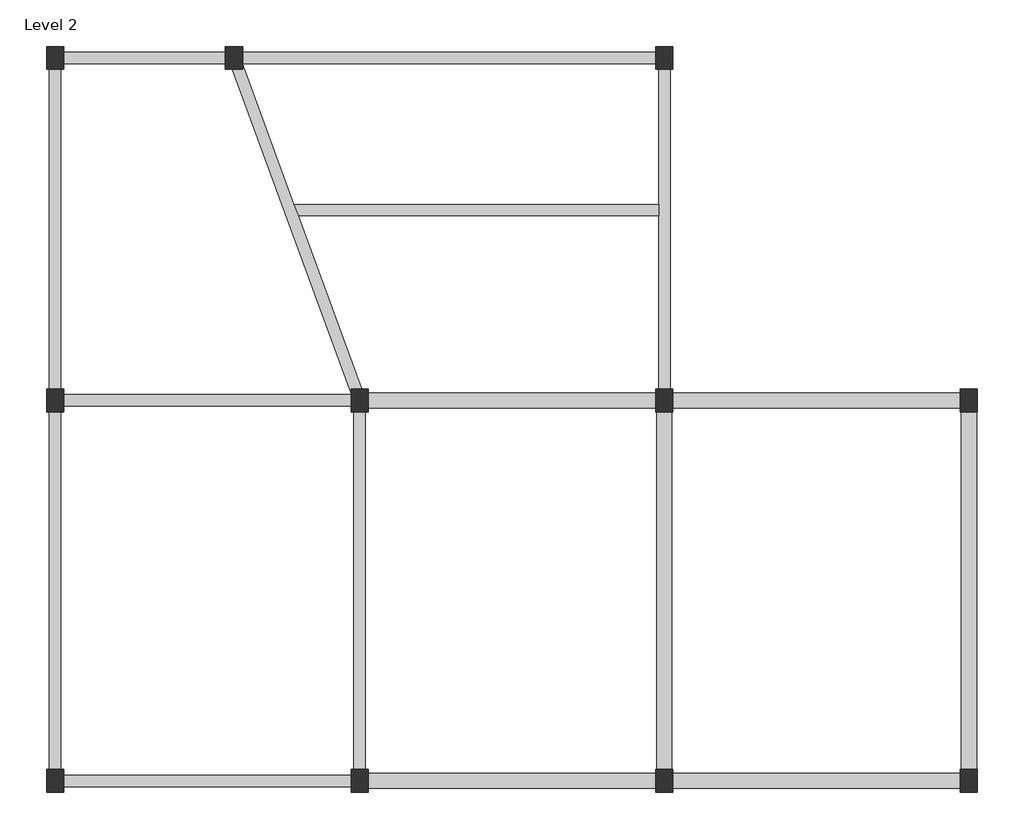
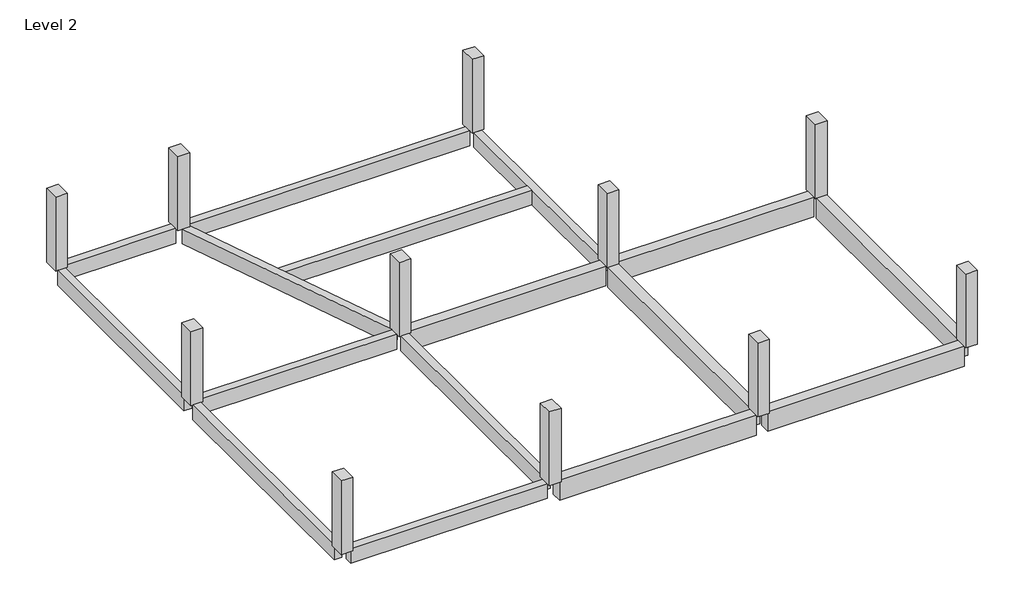
# One storey: 16 beams, 11 columns.
"""IFC4 building model written with IfcOpenShell, lengths in millimetres."""

from ifc_helpers import new_model, si_unit, frame, origin, place, context, project, spatial, polyline, outline, extrude, faceted_brep, element, save

model = new_model("IFC4")

# Units and contexts
model_context = context("Model", 3, world=origin())
ifc_project = project(units=[si_unit("LENGTHUNIT", "METRE", prefix="MILLI")], contexts=[model_context])

# Site, building, storey
site = spatial("IfcSite", under=ifc_project)
building = spatial("IfcBuilding", under=site)
storey = spatial("IfcBuildingStorey", under=building, Name="Level 2", Elevation=3000.0)

# Beams
placement = place(None, origin())
element("IfcBeam", 1, ObjectType="M_Concrete-Rectangular Beam : 300 x 600mm", at=placement, inside=storey, context=model_context, shape_type="SweptSolid", body=[
    extrude(outline(polyline([(-11651.6415443, 56.7220145), (-11351.6415443, 56.7220145), (-11351.6415443, -9343.2779855), (-11651.6415443, -9343.2779855), (-11651.6415443, 56.7220145)])), frame((0.0, 0.0, 2400.0), z_axis=(0.0, 0.0, 1.0), x_axis=(1.0, 0.0, 0.0)), (0.0, 0.0, 1.0), 600.0),
])
element("IfcBeam", 2, ObjectType="M_Concrete-Rectangular Beam : 300 x 600mm", at=placement, inside=storey, context=model_context, shape_type="SweptSolid", body=[
    extrude(outline(polyline([(-3651.6415443, 56.7220145), (-3351.6415443, 56.7220145), (-3351.6415443, -9343.2779855), (-3651.6415443, -9343.2779855), (-3651.6415443, 56.7220145)])), frame((0.0, 0.0, 2400.0), z_axis=(0.0, 0.0, 1.0), x_axis=(1.0, 0.0, 0.0)), (0.0, 0.0, 1.0), 600.0),
])
element("IfcBeam", 3, ObjectType="M_Concrete-Rectangular Beam : 300 x 600mm", at=placement, inside=storey, context=model_context, shape_type="SweptSolid", body=[
    extrude(outline(polyline([(-11276.6415443, 206.7220145), (-11276.6415443, 506.7220145), (-3726.6415443, 506.7220145), (-3726.6415443, 206.7220145), (-11276.6415443, 206.7220145)])), frame((0.0, 0.0, 2400.0), z_axis=(0.0, 0.0, 1.0), x_axis=(1.0, 0.0, 0.0)), (0.0, 0.0, 1.0), 600.0),
])
element("IfcBeam", 4, ObjectType="M_Concrete-Rectangular Beam : 300 x 600mm", at=placement, inside=storey, context=model_context, shape_type="SweptSolid", body=[
    extrude(outline(polyline([(-11276.6415443, -9793.2779855), (-11276.6415443, -9493.2779855), (-3726.6415443, -9493.2779855), (-3726.6415443, -9793.2779855), (-11276.6415443, -9793.2779855)])), frame((0.0, 0.0, 2400.0), z_axis=(0.0, 0.0, 1.0), x_axis=(1.0, 0.0, 0.0)), (0.0, 0.0, 1.0), 600.0),
])
element("IfcBeam", 5, ObjectType="M_Concrete-Rectangular Beam : 300 x 600mm", at=placement, inside=storey, context=model_context, shape_type="SweptSolid", body=[
    extrude(outline(polyline([(-11351.6415443, 656.7220145), (-11651.6415443, 656.7220145), (-11651.6415443, 9056.7220145), (-11351.6415443, 9056.7220145), (-11351.6415443, 656.7220145)])), frame((0.0, 0.0, 2400.0), z_axis=(0.0, 0.0, 1.0), x_axis=(1.0, 0.0, 0.0)), (0.0, 0.0, 1.0), 600.0),
])
element("IfcBeam", 6, ObjectType="M_Concrete-Rectangular Beam : 300 x 600mm", at=placement, inside=storey, context=model_context, shape_type="SweptSolid", body=[
    extrude(outline(polyline([(-11276.6415443, 9206.7220145), (-11276.6415443, 9506.7220145), (-7026.6415443, 9506.7220145), (-7026.6415443, 9206.7220145), (-11276.6415443, 9206.7220145)])), frame((0.0, 0.0, 2400.0), z_axis=(0.0, 0.0, 1.0), x_axis=(1.0, 0.0, 0.0)), (0.0, 0.0, 1.0), 600.0),
])
element("IfcBeam", 7, ObjectType="M_Concrete-Rectangular Beam : 300 x 600mm", at=placement, inside=storey, context=model_context, shape_type="Brep", body=[
    faceted_brep([(-3726.6415443, 534.6344151, 3000.0), (-3726.6415443, 656.7220145, 3000.0), (-3451.8760912, 656.7220145, 3000.0), (-5120.2094246, 5206.7220145, 3000.0), (-5230.2094246, 5506.7220145, 3000.0), (-6576.6415443, 9178.8096138, 3000.0), (-6576.6415443, 9056.7220145, 3000.0), (-6851.4069974, 9056.7220145, 3000.0), (-3726.6415443, 534.6344151, 2400.0), (-6851.4069974, 9056.7220145, 2400.0), (-3726.6415443, 656.7220145, 2400.0), (-6576.6415443, 9056.7220145, 2400.0), (-6576.6415443, 9178.8096138, 2400.0), (-5230.2094246, 5506.7220145, 2400.0), (-5120.2094246, 5206.7220145, 2400.0), (-3451.8760912, 656.7220145, 2400.0)], [[[0, 1, 2, 3, 4, 5, 6, 7]], [[8, 0, 7, 9]], [[10, 8, 9, 11, 12, 13, 14, 15]], [[2, 15, 14, 13, 12, 5, 4, 3]], [[10, 1, 0, 8]], [[1, 10, 15, 2]], [[11, 6, 5, 12]], [[6, 11, 9, 7]]]),
])
element("IfcBeam", 8, ObjectType="M_Concrete-Rectangular Beam : 300 x 600mm", at=placement, inside=storey, context=model_context, shape_type="SweptSolid", body=[
    extrude(outline(polyline([(-6576.6415443, 9206.7220145), (-6576.6415443, 9506.7220145), (4273.3584557, 9506.7220145), (4273.3584557, 9206.7220145), (-6576.6415443, 9206.7220145)])), frame((0.0, 0.0, 2400.0), z_axis=(0.0, 0.0, 1.0), x_axis=(1.0, 0.0, 0.0)), (0.0, 0.0, 1.0), 600.0),
])
element("IfcBeam", 9, ObjectType="M_Concrete-Rectangular Beam : 300 x 600mm", at=placement, inside=storey, context=model_context, shape_type="Brep", body=[
    faceted_brep([(4348.3584557, 656.7220145, 3000.0), (4648.3584557, 656.7220145, 3000.0), (4648.3584557, 9056.7220145, 3000.0), (4348.3584557, 9056.7220145, 3000.0), (4348.3584557, 5506.7220145, 3000.0), (4348.3584557, 5206.7220145, 3000.0), (4648.3584557, 656.7220145, 2400.0), (4648.3584557, 9056.7220145, 2400.0), (4348.3584557, 656.7220145, 2400.0), (4348.3584557, 5206.7220145, 2400.0), (4348.3584557, 5506.7220145, 2400.0), (4348.3584557, 9056.7220145, 2400.0)], [[[0, 1, 2, 3, 4, 5]], [[1, 6, 7, 2]], [[6, 8, 9, 10, 11, 7]], [[8, 0, 5, 4, 3, 11, 10, 9]], [[1, 0, 8, 6]], [[3, 2, 7, 11]]]),
])
element("IfcBeam", 10, ObjectType="M_Concrete-Rectangular Beam : 300 x 600mm", at=placement, inside=storey, context=model_context, shape_type="SweptSolid", body=[
    extrude(outline(polyline([(-5120.2094246, 5206.7220145), (-5230.2094246, 5506.7220145), (4348.3584557, 5506.7220145), (4348.3584557, 5206.7220145), (-5120.2094246, 5206.7220145)])), frame((0.0, 0.0, 2400.0), z_axis=(0.0, 0.0, 1.0), x_axis=(1.0, 0.0, 0.0)), (0.0, 0.0, 1.0), 600.0),
])
element("IfcBeam", 11, ObjectType="M_Concrete-Rectangular Beam : 400 x 800mm", at=placement, inside=storey, context=model_context, shape_type="SweptSolid", body=[
    extrude(outline(polyline([(4698.3584557, -9343.2779855), (4298.3584557, -9343.2779855), (4298.3584557, 56.7220145), (4698.3584557, 56.7220145), (4698.3584557, -9343.2779855)])), frame((0.0, 0.0, 2200.0), z_axis=(0.0, 0.0, 1.0), x_axis=(1.0, 0.0, 0.0)), (0.0, 0.0, 1.0), 800.0),
])
element("IfcBeam", 12, ObjectType="M_Concrete-Rectangular Beam : 400 x 800mm", at=placement, inside=storey, context=model_context, shape_type="SweptSolid", body=[
    extrude(outline(polyline([(12698.3584557, -9343.2779855), (12298.3584557, -9343.2779855), (12298.3584557, 56.7220145), (12698.3584557, 56.7220145), (12698.3584557, -9343.2779855)])), frame((0.0, 0.0, 2200.0), z_axis=(0.0, 0.0, 1.0), x_axis=(1.0, 0.0, 0.0)), (0.0, 0.0, 1.0), 800.0),
])
element("IfcBeam", 13, ObjectType="M_Concrete-Rectangular Beam : 400 x 800mm", at=placement, inside=storey, context=model_context, shape_type="SweptSolid", body=[
    extrude(outline(polyline([(-3276.6415443, 156.7220145), (-3276.6415443, 556.7220145), (4273.3584557, 556.7220145), (4273.3584557, 156.7220145), (-3276.6415443, 156.7220145)])), frame((0.0, 0.0, 2200.0), z_axis=(0.0, 0.0, 1.0), x_axis=(1.0, 0.0, 0.0)), (0.0, 0.0, 1.0), 800.0),
])
element("IfcBeam", 14, ObjectType="M_Concrete-Rectangular Beam : 400 x 800mm", at=placement, inside=storey, context=model_context, shape_type="SweptSolid", body=[
    extrude(outline(polyline([(4723.3584557, 156.7220145), (4723.3584557, 556.7220145), (12273.3584557, 556.7220145), (12273.3584557, 156.7220145), (4723.3584557, 156.7220145)])), frame((0.0, 0.0, 2200.0), z_axis=(0.0, 0.0, 1.0), x_axis=(1.0, 0.0, 0.0)), (0.0, 0.0, 1.0), 800.0),
])
element("IfcBeam", 15, ObjectType="M_Concrete-Rectangular Beam : 400 x 800mm", at=placement, inside=storey, context=model_context, shape_type="SweptSolid", body=[
    extrude(outline(polyline([(-3276.6415443, -9843.2779855), (-3276.6415443, -9443.2779855), (4273.3584557, -9443.2779855), (4273.3584557, -9843.2779855), (-3276.6415443, -9843.2779855)])), frame((0.0, 0.0, 2200.0), z_axis=(0.0, 0.0, 1.0), x_axis=(1.0, 0.0, 0.0)), (0.0, 0.0, 1.0), 800.0),
])
element("IfcBeam", 16, ObjectType="M_Concrete-Rectangular Beam : 400 x 800mm", at=placement, inside=storey, context=model_context, shape_type="SweptSolid", body=[
    extrude(outline(polyline([(4723.3584557, -9843.2779855), (4723.3584557, -9443.2779855), (12273.3584557, -9443.2779855), (12273.3584557, -9843.2779855), (4723.3584557, -9843.2779855)])), frame((0.0, 0.0, 2200.0), z_axis=(0.0, 0.0, 1.0), x_axis=(1.0, 0.0, 0.0)), (0.0, 0.0, 1.0), 800.0),
])

# Columns
element("IfcColumn", 17, ObjectType="M_Concrete-Rectangular-Column : 450 x 600mm", at=placement, inside=storey, context=model_context, shape_type="SweptSolid", body=[
    extrude(outline(polyline([(-11276.6415443, 656.7220145), (-11276.6415443, 56.7220145), (-11726.6415443, 56.7220145), (-11726.6415443, 656.7220145), (-11276.6415443, 656.7220145)])), frame((0.0, 0.0, 3000.0), z_axis=(0.0, 0.0, 1.0), x_axis=(1.0, 0.0, 0.0)), (0.0, 0.0, 1.0), 3000.0),
])
element("IfcColumn", 18, ObjectType="M_Concrete-Rectangular-Column : 450 x 600mm", at=placement, inside=storey, context=model_context, shape_type="SweptSolid", body=[
    extrude(outline(polyline([(-11276.6415443, -9343.2779855), (-11276.6415443, -9943.2779855), (-11726.6415443, -9943.2779855), (-11726.6415443, -9343.2779855), (-11276.6415443, -9343.2779855)])), frame((0.0, 0.0, 3000.0), z_axis=(0.0, 0.0, 1.0), x_axis=(1.0, 0.0, 0.0)), (0.0, 0.0, 1.0), 3000.0),
])
element("IfcColumn", 19, ObjectType="M_Concrete-Rectangular-Column : 450 x 600mm", at=placement, inside=storey, context=model_context, shape_type="SweptSolid", body=[
    extrude(outline(polyline([(-3276.6415443, -9343.2779855), (-3276.6415443, -9943.2779855), (-3726.6415443, -9943.2779855), (-3726.6415443, -9343.2779855), (-3276.6415443, -9343.2779855)])), frame((0.0, 0.0, 3000.0), z_axis=(0.0, 0.0, 1.0), x_axis=(1.0, 0.0, 0.0)), (0.0, 0.0, 1.0), 3000.0),
])
element("IfcColumn", 20, ObjectType="M_Concrete-Rectangular-Column : 450 x 600mm", at=placement, inside=storey, context=model_context, shape_type="SweptSolid", body=[
    extrude(outline(polyline([(-3276.6415443, 656.7220145), (-3276.6415443, 56.7220145), (-3726.6415443, 56.7220145), (-3726.6415443, 656.7220145), (-3276.6415443, 656.7220145)])), frame((0.0, 0.0, 3000.0), z_axis=(0.0, 0.0, 1.0), x_axis=(1.0, 0.0, 0.0)), (0.0, 0.0, 1.0), 3000.0),
])
element("IfcColumn", 21, ObjectType="M_Concrete-Rectangular-Column : 450 x 600mm", at=placement, inside=storey, context=model_context, shape_type="SweptSolid", body=[
    extrude(outline(polyline([(4723.3584557, -9343.2779855), (4723.3584557, -9943.2779855), (4273.3584557, -9943.2779855), (4273.3584557, -9343.2779855), (4723.3584557, -9343.2779855)])), frame((0.0, 0.0, 3000.0), z_axis=(0.0, 0.0, 1.0), x_axis=(1.0, 0.0, 0.0)), (0.0, 0.0, 1.0), 3000.0),
])
element("IfcColumn", 22, ObjectType="M_Concrete-Rectangular-Column : 450 x 600mm", at=placement, inside=storey, context=model_context, shape_type="SweptSolid", body=[
    extrude(outline(polyline([(4723.3584557, 656.7220145), (4723.3584557, 56.7220145), (4273.3584557, 56.7220145), (4273.3584557, 656.7220145), (4723.3584557, 656.7220145)])), frame((0.0, 0.0, 3000.0), z_axis=(0.0, 0.0, 1.0), x_axis=(1.0, 0.0, 0.0)), (0.0, 0.0, 1.0), 3000.0),
])
element("IfcColumn", 23, ObjectType="M_Concrete-Rectangular-Column : 450 x 600mm", at=placement, inside=storey, context=model_context, shape_type="SweptSolid", body=[
    extrude(outline(polyline([(12723.3584557, -9343.2779855), (12723.3584557, -9943.2779855), (12273.3584557, -9943.2779855), (12273.3584557, -9343.2779855), (12723.3584557, -9343.2779855)])), frame((0.0, 0.0, 3000.0), z_axis=(0.0, 0.0, 1.0), x_axis=(1.0, 0.0, 0.0)), (0.0, 0.0, 1.0), 3000.0),
])
element("IfcColumn", 24, ObjectType="M_Concrete-Rectangular-Column : 450 x 600mm", at=placement, inside=storey, context=model_context, shape_type="SweptSolid", body=[
    extrude(outline(polyline([(12723.3584557, 656.7220145), (12723.3584557, 56.7220145), (12273.3584557, 56.7220145), (12273.3584557, 656.7220145), (12723.3584557, 656.7220145)])), frame((0.0, 0.0, 3000.0), z_axis=(0.0, 0.0, 1.0), x_axis=(1.0, 0.0, 0.0)), (0.0, 0.0, 1.0), 3000.0),
])
element("IfcColumn", 25, ObjectType="M_Concrete-Rectangular-Column : 450 x 600mm", at=placement, inside=storey, context=model_context, shape_type="SweptSolid", body=[
    extrude(outline(polyline([(-11276.6415443, 9656.7220145), (-11276.6415443, 9056.7220145), (-11726.6415443, 9056.7220145), (-11726.6415443, 9656.7220145), (-11276.6415443, 9656.7220145)])), frame((0.0, 0.0, 3000.0), z_axis=(0.0, 0.0, 1.0), x_axis=(1.0, 0.0, 0.0)), (0.0, 0.0, 1.0), 3000.0),
])
element("IfcColumn", 26, ObjectType="M_Concrete-Rectangular-Column : 450 x 600mm", at=placement, inside=storey, context=model_context, shape_type="SweptSolid", body=[
    extrude(outline(polyline([(-6576.6415443, 9656.7220145), (-6576.6415443, 9056.7220145), (-7026.6415443, 9056.7220145), (-7026.6415443, 9656.7220145), (-6576.6415443, 9656.7220145)])), frame((0.0, 0.0, 3000.0), z_axis=(0.0, 0.0, 1.0), x_axis=(1.0, 0.0, 0.0)), (0.0, 0.0, 1.0), 3000.0),
])
element("IfcColumn", 27, ObjectType="M_Concrete-Rectangular-Column : 450 x 600mm", at=placement, inside=storey, context=model_context, shape_type="SweptSolid", body=[
    extrude(outline(polyline([(4723.3584557, 9656.7220145), (4723.3584557, 9056.7220145), (4273.3584557, 9056.7220145), (4273.3584557, 9656.7220145), (4723.3584557, 9656.7220145)])), frame((0.0, 0.0, 3000.0), z_axis=(0.0, 0.0, 1.0), x_axis=(1.0, 0.0, 0.0)), (0.0, 0.0, 1.0), 3000.0),
])

save(model, "model.ifc")
